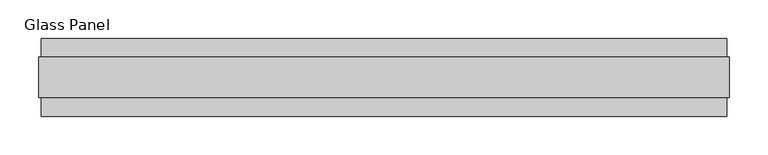
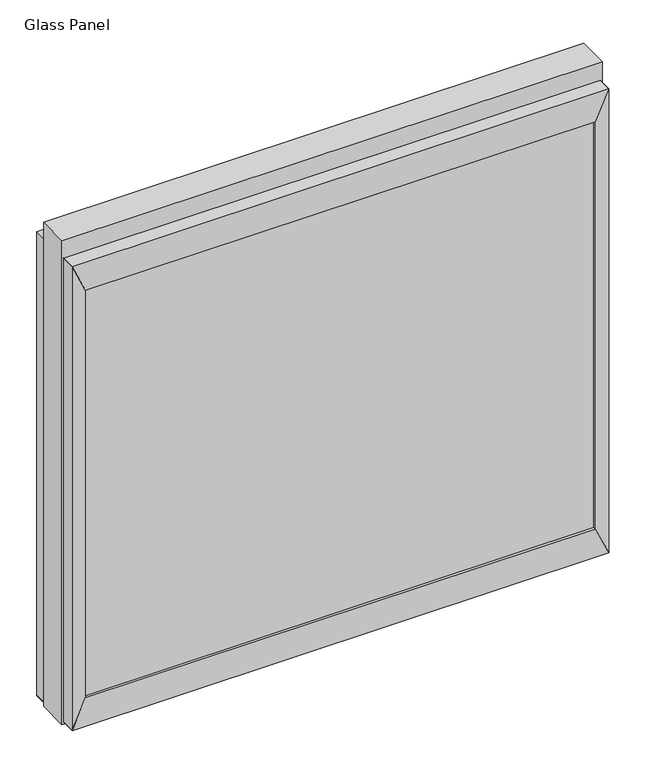
"""IFC4 building model written with IfcOpenShell, lengths in millimetres: plate geometry, Glass Panel."""

from ifc_helpers import new_model, si_unit, frame, origin, place, context, project, spatial, polyline, outline, extrude, source, transform, mapped, element, save


def glass_panel_fe9e983a(model_context):
    return source(origin(), model_context, "Body", "SweptSolid", [
        extrude(outline(polyline([(419.5064, -45.1096), (-419.5064, -45.1096), (-419.5064, -33.6796), (419.5064, -33.6796), (419.5064, -45.1096)])), frame((0.0, 0.0, 52.0065), z_axis=(0.0, 0.0, 1.0), x_axis=(1.0, 0.0, 0.0)), (0.0, 0.0, 1.0), 709.0029),
        extrude(outline(polyline([(419.5064, 33.9098), (-419.5064, 33.9098), (-419.5064, 45.3398), (419.5064, 45.3398), (419.5064, 33.9098)])), frame((0.0, 0.0, 52.0065), z_axis=(0.0, 0.0, 1.0), x_axis=(1.0, 0.0, 0.0)), (0.0, 0.0, 1.0), 709.0029),
        extrude(outline(polyline([(52.0065, 419.5064), (52.0065, -419.5064), (3.0099, -441.5028), (3.0099, 441.5028), (52.0065, 419.5064)])), frame((0.0, -49.9229, 0.0), z_axis=(0.0, 1.0, 0.0), x_axis=(0.0, 0.0, 1.0)), (0.0, 0.0, 1.0), 100.076),
        extrude(outline(polyline([(761.0094, 419.5064), (810.006, 441.5028), (810.006, -441.5028), (761.0094, -419.5064), (761.0094, 419.5064)])), frame((0.0, -49.9229, 0.0), z_axis=(0.0, 1.0, 0.0), x_axis=(0.0, 0.0, 1.0)), (0.0, 0.0, 1.0), 100.076),
        extrude(outline(polyline([(52.0065, 419.5064), (3.0099, 441.5028), (810.006, 441.5028), (761.0094, 419.5064), (52.0065, 419.5064)])), frame((0.0, -49.9229, 0.0), z_axis=(0.0, 1.0, 0.0), x_axis=(0.0, 0.0, 1.0)), (0.0, 0.0, 1.0), 100.076),
        extrude(outline(polyline([(52.0065, -419.5064), (761.0094, -419.5064), (810.006, -441.5028), (3.0099, -441.5028), (52.0065, -419.5064)])), frame((0.0, -49.9229, 0.0), z_axis=(0.0, 1.0, 0.0), x_axis=(0.0, 0.0, 1.0)), (0.0, 0.0, 1.0), 100.076),
        extrude(outline(polyline([(0.0, -444.5), (0.0, 444.5), (842.01, 444.5), (842.01, -444.5), (0.0, -444.5)]), holes=[polyline([(3.0099, 441.5028), (3.0099, -441.5028), (810.006, -441.5028), (810.006, 441.5028), (3.0099, 441.5028)])]), frame((0.0, -25.8818, 0.0), z_axis=(0.0, 1.0, 0.0), x_axis=(0.0, 0.0, 1.0)), (0.0, 0.0, 1.0), 51.9938),
    ])


if __name__ == "__main__":
    model = new_model("IFC4")
    model_context = context("Model", 3, world=origin())
    ifc_project = project(units=[si_unit("LENGTHUNIT", "METRE", prefix="MILLI")], contexts=[model_context])
    site = spatial("IfcSite", under=ifc_project)
    building = spatial("IfcBuilding", under=site)
    placement = place(None, origin())
    glass_panel_shape = glass_panel_fe9e983a(model_context)
    element("IfcPlate", 1, ObjectType="Glass Panel", at=placement, inside=building, context=model_context, shape_type="MappedRepresentation", body=[
        mapped(glass_panel_shape, transform((0.0, 0.0, 0.0), x_axis=(1.0, 0.0, 0.0), y_axis=(0.0, 1.0, 0.0), z_axis=(0.0, 0.0, 1.0))),
    ])
    save(model, "model.ifc")
